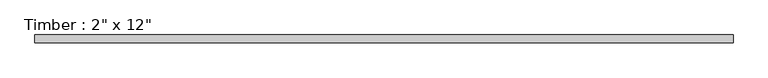
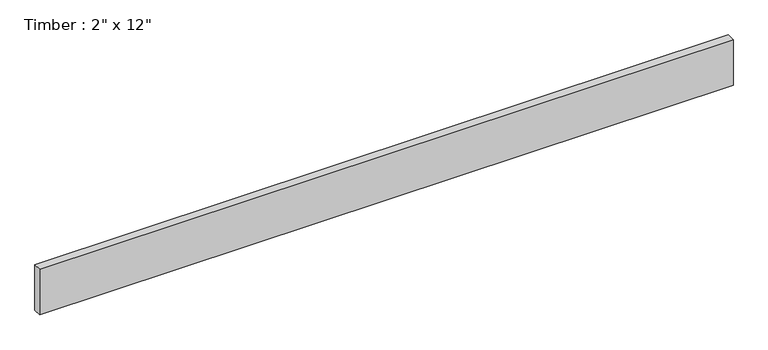
"""IFC4 building model written with IfcOpenShell, lengths in millimetres: beam geometry."""

from ifc_helpers import new_model, si_unit, frame, origin, place, context, project, spatial, polyline, outline, extrude, source, transform, mapped, element, save


def beam_a2fc68ec(model_context):
    return source(origin(), model_context, "Body", "SweptSolid", [
        extrude(outline(polyline([(2218.7711419, 25.4), (2218.7711419, -25.4), (-2173.9903078, -25.4), (-2173.9903078, 25.4), (2218.7711419, 25.4)])), frame((0.0, 0.0, -152.4), z_axis=(0.0, 0.0, 1.0), x_axis=(1.0, 0.0, 0.0)), (0.0, 0.0, 1.0), 304.8),
    ])


if __name__ == "__main__":
    model = new_model("IFC4")
    model_context = context("Model", 3, world=origin())
    ifc_project = project(units=[si_unit("LENGTHUNIT", "METRE", prefix="MILLI")], contexts=[model_context])
    site = spatial("IfcSite", under=ifc_project)
    building = spatial("IfcBuilding", under=site)
    placement = place(None, origin())
    beam_shape = beam_a2fc68ec(model_context)
    element("IfcBeam", 1, ObjectType="Timber : 2\" x 12\"", at=placement, inside=building, context=model_context, shape_type="MappedRepresentation", body=[
        mapped(beam_shape, transform((0.0, 0.0, 0.0), x_axis=(1.0, 0.0, 0.0), y_axis=(0.0, 1.0, 0.0), z_axis=(0.0, 0.0, 1.0))),
    ])
    save(model, "model.ifc")
